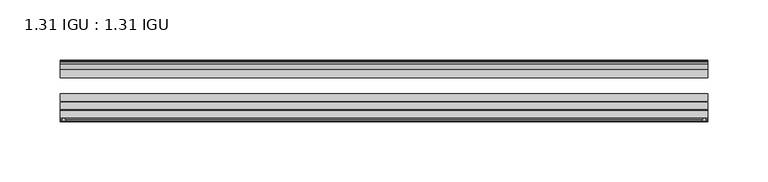
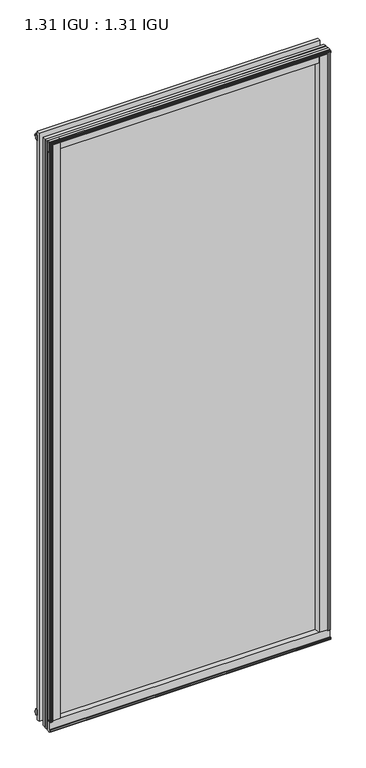
"""IFC4 building model written with IfcOpenShell, lengths in millimetres: plate geometry, 1.31 IGU : 1.31 IGU."""

from ifc_helpers import new_model, si_unit, point, frame, frame_2d, origin, origin_with_axes, place, context, project, spatial, polyline, circle_curve, trimmed, segment, composite_curve, outline, extrude, source, transform, mapped, element, save


def plate_1_31_igu_1_31_igu_80c8e4e4(model_context):
    return source(origin(), model_context, "Body", "SweptSolid", [
        extrude(outline(composite_curve([segment(polyline([(265.1245906, -57.6333938), (248.9398437, -57.6333938)]), True, "CONTINUOUS"), segment(trimmed(circle_curve(frame_2d((241.6451146, -57.6547678)), 7.2947605), [point((248.9398437, -57.6333938))], [point((245.1974551, -51.2833938))], True, "CARTESIAN"), True, "CONTINUOUS"), segment(polyline([(245.1974551, -51.2833938), (268.067876, -51.2833938)]), True, "CONTINUOUS"), segment(trimmed(circle_curve(frame_2d((268.067876, -52.0707938)), 0.7874), [point((268.067876, -51.2833938))], [point((268.8494069, -51.9748338))], False, "CARTESIAN"), True, "CONTINUOUS"), segment(polyline([(268.8494069, -51.9748338), (269.5441906, -57.6333938), (267.6137906, -57.6333938), (267.1565906, -59.624458), (268.1579525, -59.3561439), (268.4011906, -60.263921), (266.3691906, -60.8083938), (264.3371906, -60.263921), (264.5804288, -59.3561439), (265.5817906, -59.624458), (265.1245906, -57.6333938)]), True, "CONTINUOUS")], self_intersect=False)), origin_with_axes(), (0.0, 0.0, 1.0), 1174.75),
        extrude(outline(composite_curve([segment(polyline([(-249.2375, -57.6333937), (-265.4222469, -57.6333937), (-265.8794469, -59.624458), (-264.878085, -59.3561439), (-264.6348469, -60.263921), (-266.6668469, -60.8083937), (-268.6988469, -60.263921), (-268.4556088, -59.3561439), (-267.4542469, -59.624458), (-267.9114469, -57.6333937), (-269.8418469, -57.6333937), (-269.1470631, -51.9748338)]), True, "CONTINUOUS"), segment(trimmed(circle_curve(frame_2d((-268.3655323, -52.0707937)), 0.7874), [point((-269.1470631, -51.9748338))], [point((-268.3655323, -51.2833937))], False, "CARTESIAN"), True, "CONTINUOUS"), segment(polyline([(-268.3655323, -51.2833937), (-245.4951114, -51.2833937)]), True, "CONTINUOUS"), segment(trimmed(circle_curve(frame_2d((-241.9427708, -57.6547678)), 7.2947605), [point((-245.4951114, -51.2833937))], [point((-249.2375, -57.6333937))], True, "CARTESIAN"), True, "CONTINUOUS")], self_intersect=False)), origin_with_axes(), (0.0, 0.0, 1.0), 1174.75),
        extrude(outline(polyline([(-9.7543937, -6.8579998), (-10.4009552, -9.2709998), (-11.2596632, -9.0409097), (-10.8839895, -7.6388763), (-13.1833937, -8.3819998), (-13.1833937, -11.7850089), (-17.9585937, -10.1533914), (-17.9585937, 0.6595133), (-13.1833937, -0.5079998), (-13.1833937, -5.4609998), (-10.8839895, -6.0771233), (-11.2596632, -4.6750899), (-10.4009552, -4.4449998), (-9.7543937, -6.8579998)])), frame((-269.875, 0.0, 0.0), z_axis=(1.0, 0.0, 0.0), x_axis=(0.0, 1.0, 0.0)), (0.0, 0.0, 1.0), 539.4523438),
        extrude(outline(composite_curve([segment(polyline([(-51.9748338, -19.930016), (-57.6333937, -20.6247998), (-57.6333937, -18.6943998), (-59.624458, -18.2371998), (-59.3561439, -19.2385617), (-60.263921, -19.4817998), (-60.8083937, -17.4497998), (-60.263921, -15.4177998), (-59.3561439, -15.6610379), (-59.624458, -16.6623998), (-57.6333937, -16.2051998), (-57.6333937, 0.0127002)]), True, "CONTINUOUS"), segment(trimmed(circle_curve(frame_2d((-58.1588233, 7.9620141)), 7.9666598), [point((-57.6333937, 0.0127002))], [point((-51.2833937, 3.9375717))], True, "CARTESIAN"), True, "CONTINUOUS"), segment(polyline([(-51.2833937, 3.9375717), (-51.2833937, -19.1484852)]), True, "CONTINUOUS"), segment(trimmed(circle_curve(frame_2d((-52.0707937, -19.1484852)), 0.7874), [point((-51.2833937, -19.1484852))], [point((-51.9748338, -19.930016))], False, "CARTESIAN"), True, "CONTINUOUS")], self_intersect=False)), frame((-269.875, 0.0, 0.0), z_axis=(1.0, 0.0, 0.0), x_axis=(0.0, 1.0, 0.0)), (0.0, 0.0, 1.0), 539.4523438),
        extrude(outline(polyline([(-17.9585937, 1165.8533914), (-13.1833937, 1167.4850089), (-13.1833937, 1164.0819998), (-10.8839895, 1163.3388763), (-11.2596632, 1164.7409097), (-10.4009552, 1164.9709998), (-9.7543937, 1162.5579998), (-10.4009552, 1160.1449998), (-11.2596632, 1160.3750899), (-10.8839895, 1161.7771233), (-13.1833937, 1161.1609998), (-13.1833937, 1156.2079998), (-17.9585937, 1155.0404867), (-17.9585937, 1165.8533914)])), frame((-269.875, 0.0, 0.0), z_axis=(1.0, 0.0, 0.0), x_axis=(0.0, 1.0, 0.0)), (0.0, 0.0, 1.0), 539.4523438),
        extrude(outline(composite_curve([segment(trimmed(circle_curve(frame_2d((-52.0707937, 1174.8484852)), 0.7874), [point((-51.9748338, 1175.630016))], [point((-51.2833937, 1174.8484852))], False, "CARTESIAN"), True, "CONTINUOUS"), segment(polyline([(-51.2833937, 1174.8484852), (-51.2833937, 1151.7624283)]), True, "CONTINUOUS"), segment(trimmed(circle_curve(frame_2d((-58.1588233, 1147.7379859)), 7.9666598), [point((-51.2833937, 1151.7624283))], [point((-57.6333937, 1155.6872998))], True, "CARTESIAN"), True, "CONTINUOUS"), segment(polyline([(-57.6333937, 1155.6872998), (-57.6333937, 1171.9051998), (-59.624458, 1172.3623998), (-59.3561439, 1171.3610379), (-60.263921, 1171.1177998), (-60.8083937, 1173.1497998), (-60.263921, 1175.1817998), (-59.3561439, 1174.9385617), (-59.624458, 1173.9371998), (-57.6333937, 1174.3943998), (-57.6333937, 1176.3247998), (-51.9748338, 1175.630016)]), True, "CONTINUOUS")], self_intersect=False)), frame((-269.875, 0.0, 0.0), z_axis=(1.0, 0.0, 0.0), x_axis=(0.0, 1.0, 0.0)), (0.0, 0.0, 1.0), 539.4523438),
        extrude(outline(polyline([(-258.4638763, -10.8839895), (-259.8659097, -11.2596632), (-260.0959998, -10.4009552), (-257.6829998, -9.7543937), (-255.2699998, -10.4009552), (-255.5000899, -11.2596632), (-256.9021233, -10.8839895), (-256.2859998, -13.1833937), (-251.3329998, -13.1833937), (-250.1654867, -17.9585937), (-260.9783914, -17.9585937), (-262.6100089, -13.1833937), (-259.2069998, -13.1833937), (-258.4638763, -10.8839895)])), origin_with_axes(), (0.0, 0.0, 1.0), 1155.7),
        extrude(outline(polyline([(258.4765765, -10.8839895), (259.2197, -13.1833937), (262.6227091, -13.1833937), (260.9910916, -17.9585937), (250.1781869, -17.9585937), (251.3457, -13.1833937), (256.2987, -13.1833937), (256.9148235, -10.8839895), (255.5127901, -11.2596632), (255.2827, -10.4009552), (257.6957, -9.7543937), (260.1087, -10.4009552), (259.8786099, -11.2596632), (258.4765765, -10.8839895)])), origin_with_axes(), (0.0, 0.0, 1.0), 1155.7),
        extrude(outline(polyline([(269.5773437, -17.9585937), (269.5773437, -24.3085937), (-269.875, -24.3085937), (-269.875, -17.9585937), (269.5773437, -17.9585937)])), frame((0.0, 0.0, -19.0372998), z_axis=(0.0, 0.0, 1.0), x_axis=(1.0, 0.0, 0.0)), (0.0, 0.0, 1.0), 1193.7872998),
        extrude(outline(polyline([(-269.875, -44.1459937), (-269.875, -37.7959937), (269.5773437, -37.7959937), (269.5773437, -44.1459937), (-269.875, -44.1459937)])), frame((0.0, 0.0, -19.0372998), z_axis=(0.0, 0.0, 1.0), x_axis=(1.0, 0.0, 0.0)), (0.0, 0.0, 1.0), 1193.7872998),
        extrude(outline(polyline([(-269.875, -51.2833937), (-269.875, -44.9333937), (269.5773437, -44.9333937), (269.5773437, -51.2833937), (-269.875, -51.2833937)])), frame((0.0, 0.0, -19.0372998), z_axis=(0.0, 0.0, 1.0), x_axis=(1.0, 0.0, 0.0)), (0.0, 0.0, 1.0), 1193.7872998),
    ])


if __name__ == "__main__":
    model = new_model("IFC4")
    model_context = context("Model", 3, world=origin())
    ifc_project = project(units=[si_unit("LENGTHUNIT", "METRE", prefix="MILLI")], contexts=[model_context])
    site = spatial("IfcSite", under=ifc_project)
    building = spatial("IfcBuilding", under=site)
    placement = place(None, origin())
    plate_1_31_igu_1_31_igu_shape = plate_1_31_igu_1_31_igu_80c8e4e4(model_context)
    element("IfcPlate", 1, ObjectType="1.31 IGU : 1.31 IGU", at=placement, inside=building, context=model_context, shape_type="MappedRepresentation", body=[
        mapped(plate_1_31_igu_1_31_igu_shape, transform((0.0, 0.0, 0.0), x_axis=(1.0, 0.0, 0.0), y_axis=(0.0, 1.0, 0.0), z_axis=(0.0, 0.0, 1.0))),
    ])
    save(model, "model.ifc")
